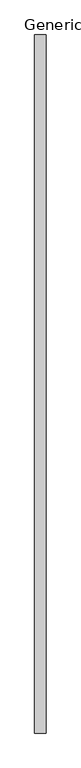
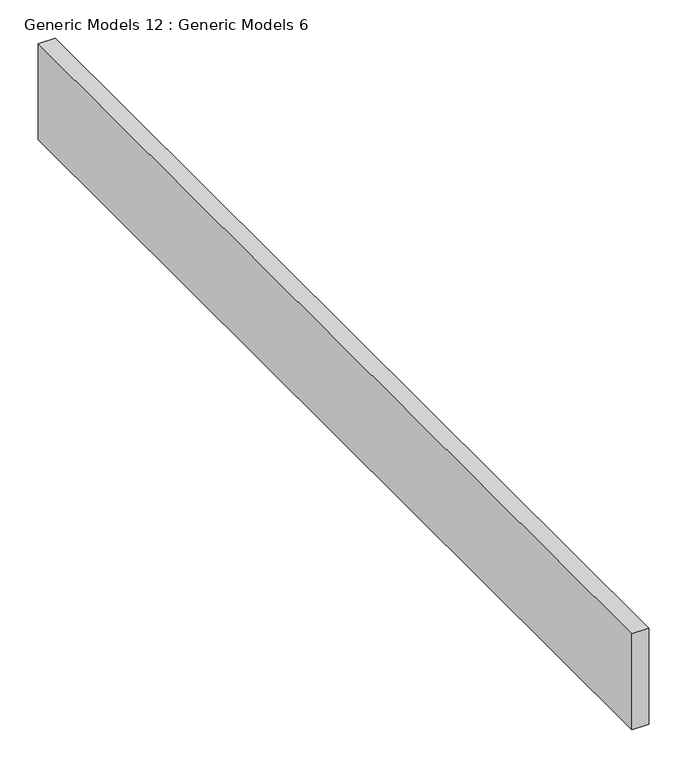
"""IFC4 building model written with IfcOpenShell, lengths in millimetres: proxy geometry, Generic Models 12 : Generic Models 6."""

from ifc_helpers import new_model, si_unit, frame, origin, place, context, project, spatial, polyline, outline, extrude, source, transform, mapped, element, save


def generic_models_12_generic_models_6_8287f963(model_context):
    return source(origin(), model_context, "Body", "SweptSolid", [
        extrude(outline(polyline([(-12960.7156308, -39219.2577609), (-12935.3156308, -39219.2577609), (-12935.3156308, -40768.6577609), (-12960.7156308, -40768.6577609), (-12960.7156308, -39219.2577609)])), frame((0.0, 0.0, 32105.6), z_axis=(0.0, 0.0, 1.0), x_axis=(1.0, 0.0, 0.0)), (0.0, 0.0, 1.0), 152.4),
    ])


if __name__ == "__main__":
    model = new_model("IFC4")
    model_context = context("Model", 3, world=origin())
    ifc_project = project(units=[si_unit("LENGTHUNIT", "METRE", prefix="MILLI")], contexts=[model_context])
    site = spatial("IfcSite", under=ifc_project)
    building = spatial("IfcBuilding", under=site)
    placement = place(None, origin())
    generic_models_12_generic_models_6_shape = generic_models_12_generic_models_6_8287f963(model_context)
    element("IfcBuildingElementProxy", 1, Name="Generic Models 12 : Generic Models 6", ObjectType="Generic Models 12 : Generic Models 6", at=placement, inside=building, context=model_context, shape_type="MappedRepresentation", body=[
        mapped(generic_models_12_generic_models_6_shape, transform((0.0, 0.0, 0.0), x_axis=(1.0, 0.0, 0.0), y_axis=(0.0, 1.0, 0.0), z_axis=(0.0, 0.0, 1.0))),
    ])
    save(model, "model.ifc")
